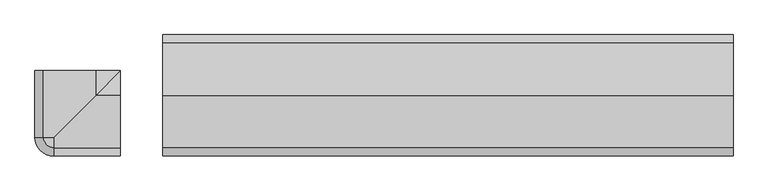
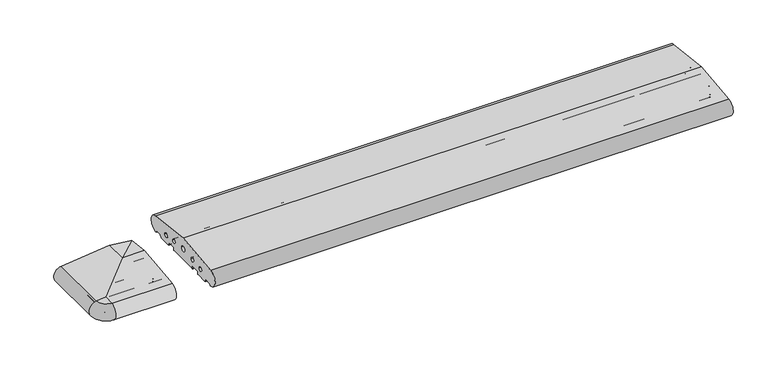
"""IFC4 building model written with IfcOpenShell, lengths in millimetres: proxy geometry."""

from ifc_helpers import new_model, si_unit, point, frame, frame_2d, origin, place, context, project, spatial, polyline, circle_curve, ellipse_curve, trimmed, segment, composite_curve, outline, extrude, source, transform, mapped, element, save
from ifc_brep_helpers import plane_surface, cylinder_surface, revolved_surface, advanced_brep


def generic_models_adb911b1(model_context):
    return source(origin(), model_context, "Body", "SolidModel", [
        advanced_brep(
        [(-112.0, -45.0, 0.0), (-222.5, -45.0, 0.0), (-223.5, -45.0, 1.0), (-223.5, -45.0, 7.0), (-225.5, -45.0, 9.0), (-248.5, -45.0, 9.0), (-250.5, -45.0, 7.0), (-250.5, -45.0, 1.0), (-251.5, -45.0, 0.0), (-287.0, -45.0, 0.0), (-290.7527767, -45.0, 6.5), (-292.4848276, -45.0, 7.5), (-308.9585481, -45.0, 7.5), (-310.6905989, -45.0, 6.5), (-312.7072001, -45.0, 3.0071443), (-313.5981483, -45.0, 2.5074549), (-315.0858073, -45.0, 50.4091909), (-177.0, -45.0, 66.8161089), (-112.0, -45.0, 59.0930149), (-269.220606, -45.0, 23.1932995), (-257.220606, -45.0, 23.1932995), (-229.5, -45.0, 27.912776), (-217.5, -45.0, 27.912776), (-184.9558517, -45.0, 33.3783502), (-169.0441483, -45.0, 33.3783502), (-136.5, -45.0, 27.912776), (-124.5, -45.0, 27.912776), (-112.0, -155.5, 0.0), (-222.5, -155.5, 0.0), (-223.5, -156.5, 1.0), (-223.5, -156.5, 7.0), (-225.5, -158.5, 9.0), (-112.0, -158.5, 9.0), (-112.0, -181.5, 9.0), (-248.5, -181.5, 9.0), (-250.5, -183.5, 7.0), (-250.5, -183.5, 1.0), (-251.5, -184.5, 0.0), (-112.0, -184.5, 0.0), (-112.0, -220.0, 0.0), (-287.0, -220.0, 0.0), (-177.0, -110.0, 66.8161089), (-315.0858073, -220.0, 50.4091909), (-287.0, -220.0, 53.7462575), (-269.220606, -202.220606, 23.1932995), (-263.220606, -196.220606, 17.1932995), (-257.220606, -190.220606, 23.1932995), (-263.220606, -196.220606, 29.1932995), (-229.5, -162.5, 27.912776), (-223.5, -156.5, 21.912776), (-217.5, -150.5, 27.912776), (-223.5, -156.5, 33.912776), (-184.9558517, -117.9558517, 33.3783502), (-177.0, -110.0, 25.4224985), (-169.0441483, -102.0441483, 33.3783502), (-177.0, -110.0, 41.3342019), (-136.5, -69.5, 27.912776), (-130.5, -63.5, 21.912776), (-124.5, -57.5, 27.912776), (-130.5, -63.5, 33.912776), (-112.0, -246.5981483, 2.5074549), (-112.0, -245.7072001, 3.0071443), (-112.0, -243.6905989, 6.5), (-112.0, -241.9585481, 7.5), (-112.0, -225.4848276, 7.5), (-112.0, -223.7527767, 6.5), (-112.0, -183.5, 1.0), (-112.0, -183.5, 7.0), (-112.0, -156.5, 7.0), (-112.0, -156.5, 1.0), (-112.0, -110.0, 66.8161089), (-112.0, -248.0858073, 50.4091909), (-112.0, -202.220606, 23.1932995), (-112.0, -190.220606, 23.1932995), (-112.0, -162.5, 27.912776), (-112.0, -150.5, 27.912776), (-112.0, -117.9558517, 33.3783502), (-112.0, -102.0441483, 33.3783502), (-112.0, -69.5, 27.912776), (-112.0, -57.5, 27.912776), (-312.7072001, -220.0, 3.0071443), (-313.5981483, -220.0, 2.5074549), (-310.6905989, -220.0, 6.5), (-308.9585481, -220.0, 7.5), (-290.7527767, -220.0, 6.5), (-292.4848276, -220.0, 7.5), (-287.0, -223.7527767, 6.5), (-287.0, -225.4848276, 7.5), (-287.0, -241.9585481, 7.5), (-287.0, -243.6905989, 6.5), (-287.0, -245.7072001, 3.0071443), (-287.0, -246.5981483, 2.5074549), (-287.0, -248.0858073, 50.4091909)],
        [
            (0, 1),
            (1, 2, circle_curve(frame((-222.5, -45.0, 1.0), z_axis=(0.0, 1.0, 0.0), x_axis=(-1.0, 0.0, 0.0)), 1.0)),
            (2, 3),
            (3, 4, circle_curve(frame((-225.5, -45.0, 7.0), z_axis=(0.0, -1.0, 0.0), x_axis=(0.0, 0.0, 1.0)), 2.0)),
            (4, 5),
            (5, 6, circle_curve(frame((-248.5, -45.0, 7.0), z_axis=(0.0, -1.0, 0.0), x_axis=(-1.0, 0.0, 0.0)), 2.0)),
            (6, 7),
            (7, 8, circle_curve(frame((-251.5, -45.0, 1.0), z_axis=(0.0, 1.0, 0.0), x_axis=(0.0, 0.0, -1.0)), 1.0)),
            (8, 9),
            (9, 10),
            (10, 11, circle_curve(frame((-292.4848276, -45.0, 5.5), z_axis=(0.0, -1.0, 0.0), x_axis=(0.0, 0.0, 1.0)), 2.0)),
            (11, 12),
            (12, 13, circle_curve(frame((-308.9585481, -45.0, 5.5), z_axis=(0.0, -1.0, 0.0), x_axis=(-0.8660254037844379, 0.0, 0.5000000000000012)), 2.0)),
            (13, 14),
            (14, 15, circle_curve(frame((-313.5732255, -45.0, 3.5071443), z_axis=(0.0, 1.0, 0.0), x_axis=(-0.024922847684081085, 0.0, -0.999689377588517)), 1.0)),
            (15, 16, circle_curve(frame((-313.0, -45.0, 26.5), z_axis=(0.0, 1.0, 0.0), x_axis=(-0.08690863944627836, 0.0, 0.9962162859487877)), 24.0)),
            (16, 17),
            (17, 18),
            (18, 0),
            (19, 20, circle_curve(frame((-263.220606, -45.0, 23.1932995), z_axis=(0.0, -1.0, 0.0), x_axis=(1.0, 0.0, 0.0)), 6.0)),
            (20, 19, circle_curve(frame((-263.220606, -45.0, 23.1932995), z_axis=(0.0, -1.0, 0.0), x_axis=(1.0, 0.0, 0.0)), 6.0)),
            (21, 22, circle_curve(frame((-223.5, -45.0, 27.912776), z_axis=(0.0, -1.0, 0.0), x_axis=(1.0, 0.0, 0.0)), 6.0)),
            (22, 21, circle_curve(frame((-223.5, -45.0, 27.912776), z_axis=(0.0, -1.0, 0.0), x_axis=(1.0, 0.0, 0.0)), 6.0)),
            (23, 24, circle_curve(frame((-177.0, -45.0, 33.3783502), z_axis=(0.0, -1.0, 0.0), x_axis=(1.0, 0.0, 0.0)), 7.9558517)),
            (24, 23, circle_curve(frame((-177.0, -45.0, 33.3783502), z_axis=(0.0, -1.0, 0.0), x_axis=(1.0, 0.0, 0.0)), 7.9558517)),
            (25, 26, circle_curve(frame((-130.5, -45.0, 27.912776), z_axis=(0.0, -1.0, 0.0), x_axis=(1.0, 0.0, 0.0)), 6.0)),
            (26, 25, circle_curve(frame((-130.5, -45.0, 27.912776), z_axis=(0.0, -1.0, 0.0), x_axis=(1.0, 0.0, 0.0)), 6.0)),
            (0, 27),
            (27, 28),
            (28, 1),
            (28, 29, ellipse_curve(frame((-222.5, -155.5, 1.0), z_axis=(-0.7071067811865446, 0.7071067811865505, 0.0), x_axis=(0.7071067811865503, 0.7071067811865446, 0.0)), 1.4142136, 1.0)),
            (29, 2),
            (29, 30),
            (30, 3),
            (30, 31, ellipse_curve(frame((-225.5, -158.5, 7.0), z_axis=(0.7071067811865446, -0.7071067811865505, 0.0), x_axis=(-0.7071067811865503, -0.7071067811865446, 0.0)), 2.8284271, 2.0)),
            (31, 4),
            (31, 32),
            (32, 33),
            (33, 34),
            (34, 5),
            (34, 35, ellipse_curve(frame((-248.5, -181.5, 7.0), z_axis=(0.7071067811865446, -0.7071067811865505, 0.0), x_axis=(-0.7071067811865503, -0.7071067811865446, 0.0)), 2.8284271, 2.0)),
            (35, 6),
            (35, 36),
            (36, 7),
            (36, 37, ellipse_curve(frame((-251.5, -184.5, 1.0), z_axis=(-0.7071067811865446, 0.7071067811865505, 0.0), x_axis=(0.7071067811865503, 0.7071067811865446, 0.0)), 1.4142136, 1.0)),
            (37, 8),
            (37, 38),
            (38, 39),
            (39, 40),
            (40, 9),
            (41, 17),
            (16, 42),
            (42, 43),
            (43, 41),
            (41, 18),
            (19, 44),
            (44, 45, ellipse_curve(frame((-263.220606, -196.220606, 23.1932995), z_axis=(0.7071067811865446, -0.7071067811865505, 0.0), x_axis=(-0.7071067811865503, -0.7071067811865446, 0.0)), 8.4852814, 6.0)),
            (45, 46, ellipse_curve(frame((-263.220606, -196.220606, 23.1932995), z_axis=(0.7071067811865446, -0.7071067811865505, 0.0), x_axis=(-0.7071067811865503, -0.7071067811865446, 0.0)), 8.4852814, 6.0)),
            (46, 20),
            (46, 47, ellipse_curve(frame((-263.220606, -196.220606, 23.1932995), z_axis=(0.7071067811865446, -0.7071067811865505, 0.0), x_axis=(-0.7071067811865503, -0.7071067811865446, 0.0)), 8.4852814, 6.0)),
            (47, 44, ellipse_curve(frame((-263.220606, -196.220606, 23.1932995), z_axis=(0.7071067811865446, -0.7071067811865505, 0.0), x_axis=(-0.7071067811865503, -0.7071067811865446, 0.0)), 8.4852814, 6.0)),
            (21, 48),
            (48, 49, ellipse_curve(frame((-223.5, -156.5, 27.912776), z_axis=(0.7071067811865446, -0.7071067811865505, 0.0), x_axis=(-0.7071067811865503, -0.7071067811865446, 0.0)), 8.4852814, 6.0)),
            (49, 50, ellipse_curve(frame((-223.5, -156.5, 27.912776), z_axis=(0.7071067811865446, -0.7071067811865505, 0.0), x_axis=(-0.7071067811865503, -0.7071067811865446, 0.0)), 8.4852814, 6.0)),
            (50, 22),
            (50, 51, ellipse_curve(frame((-223.5, -156.5, 27.912776), z_axis=(0.7071067811865446, -0.7071067811865505, 0.0), x_axis=(-0.7071067811865503, -0.7071067811865446, 0.0)), 8.4852814, 6.0)),
            (51, 48, ellipse_curve(frame((-223.5, -156.5, 27.912776), z_axis=(0.7071067811865446, -0.7071067811865505, 0.0), x_axis=(-0.7071067811865503, -0.7071067811865446, 0.0)), 8.4852814, 6.0)),
            (23, 52),
            (52, 53, ellipse_curve(frame((-177.0, -110.0, 33.3783502), z_axis=(0.7071067811865446, -0.7071067811865505, 0.0), x_axis=(-0.7071067811865503, -0.7071067811865446, 0.0)), 11.2512734, 7.9558517)),
            (53, 54, ellipse_curve(frame((-177.0, -110.0, 33.3783502), z_axis=(0.7071067811865446, -0.7071067811865505, 0.0), x_axis=(-0.7071067811865503, -0.7071067811865446, 0.0)), 11.2512734, 7.9558517)),
            (54, 24),
            (54, 55, ellipse_curve(frame((-177.0, -110.0, 33.3783502), z_axis=(0.7071067811865446, -0.7071067811865505, 0.0), x_axis=(-0.7071067811865503, -0.7071067811865446, 0.0)), 11.2512734, 7.9558517)),
            (55, 52, ellipse_curve(frame((-177.0, -110.0, 33.3783502), z_axis=(0.7071067811865446, -0.7071067811865505, 0.0), x_axis=(-0.7071067811865503, -0.7071067811865446, 0.0)), 11.2512734, 7.9558517)),
            (25, 56),
            (56, 57, ellipse_curve(frame((-130.5, -63.5, 27.912776), z_axis=(0.7071067811865446, -0.7071067811865505, 0.0), x_axis=(-0.7071067811865503, -0.7071067811865446, 0.0)), 8.4852814, 6.0)),
            (57, 58, ellipse_curve(frame((-130.5, -63.5, 27.912776), z_axis=(0.7071067811865446, -0.7071067811865505, 0.0), x_axis=(-0.7071067811865503, -0.7071067811865446, 0.0)), 8.4852814, 6.0)),
            (58, 26),
            (58, 59, ellipse_curve(frame((-130.5, -63.5, 27.912776), z_axis=(0.7071067811865446, -0.7071067811865505, 0.0), x_axis=(-0.7071067811865503, -0.7071067811865446, 0.0)), 8.4852814, 6.0)),
            (59, 56, ellipse_curve(frame((-130.5, -63.5, 27.912776), z_axis=(0.7071067811865446, -0.7071067811865505, 0.0), x_axis=(-0.7071067811865503, -0.7071067811865446, 0.0)), 8.4852814, 6.0)),
            (60, 61, circle_curve(frame((-112.0, -246.5732255, 3.5071443), z_axis=(1.0, 0.0, 0.0), x_axis=(0.0, -0.024922847684081085, -0.999689377588517)), 1.0)),
            (61, 62),
            (62, 63, circle_curve(frame((-112.0, -241.9585481, 5.5), z_axis=(-1.0, 0.0, 0.0), x_axis=(0.0, -0.8660254037844379, 0.5000000000000012)), 2.0)),
            (63, 64),
            (64, 65, circle_curve(frame((-112.0, -225.4848276, 5.5), z_axis=(-1.0, 0.0, 0.0), x_axis=(0.0, 0.0, 1.0)), 2.0)),
            (65, 39),
            (38, 66, circle_curve(frame((-112.0, -184.5, 1.0), z_axis=(1.0, 0.0, 0.0), x_axis=(0.0, 0.0, -1.0)), 1.0)),
            (66, 67),
            (67, 33, circle_curve(frame((-112.0, -181.5, 7.0), z_axis=(-1.0, 0.0, 0.0), x_axis=(0.0, -1.0, 0.0)), 2.0)),
            (32, 68, circle_curve(frame((-112.0, -158.5, 7.0), z_axis=(-1.0, 0.0, 0.0), x_axis=(0.0, 0.0, 1.0)), 2.0)),
            (68, 69),
            (69, 27, circle_curve(frame((-112.0, -155.5, 1.0), z_axis=(1.0, 0.0, 0.0), x_axis=(0.0, -1.0, 0.0)), 1.0)),
            (18, 70),
            (70, 71),
            (71, 60, circle_curve(frame((-112.0, -246.0, 26.5), z_axis=(1.0, 0.0, 0.0), x_axis=(0.0, -0.08690863944627836, 0.9962162859487877)), 24.0)),
            (72, 73, circle_curve(frame((-112.0, -196.220606, 23.1932995), z_axis=(-1.0, 0.0, 0.0), x_axis=(0.0, 1.0, 0.0)), 6.0)),
            (73, 72, circle_curve(frame((-112.0, -196.220606, 23.1932995), z_axis=(-1.0, 0.0, 0.0), x_axis=(0.0, 1.0, 0.0)), 6.0)),
            (74, 75, circle_curve(frame((-112.0, -156.5, 27.912776), z_axis=(-1.0, 0.0, 0.0), x_axis=(0.0, 1.0, 0.0)), 6.0)),
            (75, 74, circle_curve(frame((-112.0, -156.5, 27.912776), z_axis=(-1.0, 0.0, 0.0), x_axis=(0.0, 1.0, 0.0)), 6.0)),
            (76, 77, circle_curve(frame((-112.0, -110.0, 33.3783502), z_axis=(-1.0, 0.0, 0.0), x_axis=(0.0, 1.0, 0.0)), 7.9558517)),
            (77, 76, circle_curve(frame((-112.0, -110.0, 33.3783502), z_axis=(-1.0, 0.0, 0.0), x_axis=(0.0, 1.0, 0.0)), 7.9558517)),
            (78, 79, circle_curve(frame((-112.0, -63.5, 27.912776), z_axis=(-1.0, 0.0, 0.0), x_axis=(0.0, 1.0, 0.0)), 6.0)),
            (79, 78, circle_curve(frame((-112.0, -63.5, 27.912776), z_axis=(-1.0, 0.0, 0.0), x_axis=(0.0, 1.0, 0.0)), 6.0)),
            (14, 80),
            (80, 81, circle_curve(frame((-313.5732255, -220.0, 3.5071443), z_axis=(0.0, 1.0, 0.0), x_axis=(-0.024922847684081085, 0.0, -0.999689377588517)), 1.0)),
            (81, 15),
            (13, 82),
            (82, 80),
            (12, 83),
            (83, 82, circle_curve(frame((-308.9585481, -220.0, 5.5), z_axis=(0.0, -1.0, 0.0), x_axis=(-0.8660254037844379, 0.0, 0.5000000000000012)), 2.0)),
            (10, 84),
            (84, 85, circle_curve(frame((-292.4848276, -220.0, 5.5), z_axis=(0.0, -1.0, 0.0), x_axis=(0.0, 0.0, 1.0)), 2.0)),
            (85, 11),
            (40, 84),
            (81, 42, circle_curve(frame((-313.0, -220.0, 26.5), z_axis=(0.0, 1.0, 0.0), x_axis=(-0.08690863944627836, 0.0, 0.9962162859487877)), 24.0)),
            (86, 84, circle_curve(frame((-287.0, -220.0, 6.5), z_axis=(0.0, 0.0, -1.0), x_axis=(0.0, -1.0, 0.0)), 3.7527767)),
            (40, 86),
            (86, 87, circle_curve(frame((-287.0, -225.4848276, 5.5), z_axis=(1.0, 0.0, 0.0), x_axis=(0.0, 0.0, 1.0)), 2.0)),
            (87, 85, circle_curve(frame((-287.0, -220.0, 7.5), z_axis=(0.0, 0.0, -1.0), x_axis=(0.0, -1.0, 0.0)), 5.4848276)),
            (83, 88, circle_curve(frame((-287.0, -220.0, 7.5), z_axis=(0.0, 0.0, 1.0), x_axis=(0.0, -1.0, 0.0)), 21.9585481)),
            (88, 89, circle_curve(frame((-287.0, -241.9585481, 5.5), z_axis=(1.0, 0.0, 0.0), x_axis=(0.0, -0.8660254037844379, 0.5000000000000012)), 2.0)),
            (89, 82, circle_curve(frame((-287.0, -220.0, 6.5), z_axis=(0.0, 0.0, -1.0), x_axis=(0.0, -1.0, 0.0)), 23.6905989)),
            (89, 90),
            (90, 80, circle_curve(frame((-287.0, -220.0, 3.0071443), z_axis=(0.0, 0.0, -1.0), x_axis=(0.0, -1.0, 0.0)), 25.7072001)),
            (90, 91, circle_curve(frame((-287.0, -246.5732255, 3.5071443), z_axis=(-1.0000000000000002, 0.0, 0.0), x_axis=(0.0, -0.024922847684081085, -0.999689377588517)), 1.0)),
            (91, 81, circle_curve(frame((-287.0, -220.0, 2.5074549), z_axis=(0.0, 0.0, -1.0), x_axis=(0.0, -1.0, 0.0)), 26.5981483)),
            (91, 92, circle_curve(frame((-287.0, -246.0, 26.5), z_axis=(-1.0, 0.0, 0.0), x_axis=(0.0, -0.08690863944627836, 0.9962162859487877)), 24.0)),
            (92, 42, circle_curve(frame((-287.0, -220.0, 50.4091909), z_axis=(0.0, 0.0, -1.0), x_axis=(0.0, -1.0, 0.0)), 28.0858073)),
            (92, 43),
            (60, 91),
            (90, 61),
            (89, 62),
            (88, 63),
            (87, 64),
            (86, 65),
            (92, 71),
            (70, 41),
            (69, 29),
            (68, 30),
            (67, 35),
            (66, 36),
            (73, 46),
            (44, 72),
            (75, 50),
            (48, 74),
            (77, 54),
            (52, 76),
            (79, 58),
            (56, 78),
        ],
        [
            plane_surface(frame((-67.0, -45.0, 0.0), z_axis=(0.0, 1.0, 0.0), x_axis=(0.0, 0.0, 1.0))),
            plane_surface(frame((-112.0, -45.0, 0.0), z_axis=(0.0, 0.0, -1.0), x_axis=(0.0, -1.0, 0.0))),
            cylinder_surface(frame((-222.5, -45.0, 1.0), z_axis=(0.0, 1.0, 0.0), x_axis=(-1.0, 0.0, 0.0)), 1.0),
            plane_surface(frame((-223.5, -45.0, 1.0), z_axis=(-1.0, 0.0, 0.0), x_axis=(0.0, -1.0, 0.0))),
            revolved_surface(polyline([(-225.5, -160.49999998250178, 9.0), (-225.5, -45.0, 9.0)]), (-225.5, -45.0, 7.0), (0.0, -1.0, 0.0)),
            plane_surface(frame((-225.5, -45.0, 9.0), z_axis=(0.0, 0.0, -1.0), x_axis=(0.0, -1.0, 0.0))),
            revolved_surface(polyline([(-250.5, -183.5, 7.0), (-250.5, -45.0, 7.0)]), (-248.5, -45.0, 7.0), (0.0, -1.0, 0.0)),
            plane_surface(frame((-250.5, -45.0, 7.0), z_axis=(1.0, 0.0, 0.0), x_axis=(0.0, -1.0, 0.0))),
            cylinder_surface(frame((-251.5, -45.0, 1.0), z_axis=(0.0, 1.0, 0.0), x_axis=(0.0, 0.0, -1.0)), 1.0),
            plane_surface(frame((-251.5, -45.0, 0.0), z_axis=(0.0, 0.0, -1.0), x_axis=(0.0, -1.0, 0.0))),
            plane_surface(frame((-287.0, -45.0, 53.7462575), z_axis=(-0.11798691299107526, 0.0, 0.9930151501174777), x_axis=(0.0, -1.0, 0.0))),
            plane_surface(frame((-177.0, -45.0, 66.8161089), z_axis=(0.11798691299107526, 0.0, 0.9930151501174777), x_axis=(0.0, -1.0, 0.0))),
            revolved_surface(polyline([(-257.220606, -202.22060601821607, 23.1932995), (-257.220606, -45.0, 23.1932995)]), (-263.220606, -45.0, 23.1932995), (0.0, -1.0, 0.0)),
            revolved_surface(polyline([(-217.5, -162.50000001821604, 27.912776), (-217.5, -45.0, 27.912776)]), (-223.5, -45.0, 27.912776), (0.0, -1.0, 0.0)),
            revolved_surface(polyline([(-169.0441483, -117.9558517181238, 33.3783502), (-169.0441483, -45.0, 33.3783502)]), (-177.0, -45.0, 33.3783502), (0.0, -1.0, 0.0)),
            revolved_surface(polyline([(-124.5, -69.50000001821606, 27.912776), (-124.5, -45.0, 27.912776)]), (-130.5, -45.0, 27.912776), (0.0, -1.0, 0.0)),
            plane_surface(frame((-112.0, -45.0, 59.0930149), z_axis=(1.0, 0.0, 0.0), x_axis=(0.0, -1.0, 0.0))),
            cylinder_surface(frame((-313.5732255, -45.0, 3.5071443), z_axis=(0.0, 1.0000000000000002, 0.0), x_axis=(-0.024922847684081085, 0.0, -0.999689377588517)), 1.0),
            plane_surface(frame((-310.6905989, -45.0, 6.5), z_axis=(0.8660254037844368, 0.0, -0.5000000000000032), x_axis=(0.0, -1.0, 0.0))),
            revolved_surface(polyline([(-310.69059890756887, -220.0, 6.500000000000003), (-310.69059890756887, -45.0, 6.500000000000003)]), (-308.9585481, -45.0, 5.5), (0.0, -1.0, 0.0)),
            revolved_surface(polyline([(-292.4848276, -220.0, 7.5), (-292.4848276, -45.0, 7.5)]), (-292.4848276, -45.0, 5.5), (0.0, -1.0, 0.0)),
            plane_surface(frame((-287.0, -45.0, 0.0), z_axis=(-0.8660254037844349, 0.0, -0.5000000000000064), x_axis=(0.0, -1.0, 0.0))),
            cylinder_surface(frame((-313.0, -45.0, 26.5), z_axis=(0.0, 1.0, 0.0), x_axis=(-0.08690863944627836, 0.0, 0.9962162859487877)), 24.0),
            revolved_surface(polyline([(-287.0, -220.0, 0.0), (-287.0, -223.7527767, 6.5)]), (-287.0, -220.0, 12.5), (0.0, 0.0, 1.0)),
            revolved_surface(trimmed(ellipse_curve(frame((-287.0, -225.4848276, 5.5), z_axis=(1.0, 0.0, 0.0), x_axis=(0.0, 0.0, 1.0)), 2.0, 2.0), [point((-287.0, -223.7527767, 6.5))], [point((-287.0, -225.4848276, 7.5))], True, "CARTESIAN"), (-287.0, -220.0, 12.5), (0.0, 0.0, 1.0)),
            revolved_surface(trimmed(ellipse_curve(frame((-287.0, -241.9585481, 5.5), z_axis=(1.0, 0.0, 0.0), x_axis=(0.0, -0.8660254037844379, 0.5000000000000012)), 2.0, 2.0), [point((-287.0, -241.9585481, 7.5))], [point((-287.0, -243.6905989, 6.5))], True, "CARTESIAN"), (-287.0, -220.0, 12.5), (0.0, 0.0, 1.0)),
            revolved_surface(polyline([(-287.0, -243.6905989, 6.5), (-287.0, -245.7072001, 3.0071443)]), (-287.0, -220.0, 12.5), (0.0, 0.0, 1.0)),
            revolved_surface(trimmed(ellipse_curve(frame((-287.0, -246.5732255, 3.5071443), z_axis=(-1.0000000000000002, 0.0, 0.0), x_axis=(0.0, -0.024922847684081085, -0.999689377588517)), 1.0, 1.0), [point((-287.0, -245.7072001, 3.0071443))], [point((-287.0, -246.5981483, 2.5074549))], True, "CARTESIAN"), (-287.0, -220.0, 12.5), (0.0, 0.0, 1.0)),
            revolved_surface(trimmed(ellipse_curve(frame((-287.0, -246.0, 26.5), z_axis=(-1.0, 0.0, 0.0), x_axis=(0.0, -0.08690863944627836, 0.9962162859487877)), 24.0, 24.0), [point((-287.0, -246.5981483, 2.5074549))], [point((-287.0, -248.0858073, 50.4091909))], True, "CARTESIAN"), (-287.0, -220.0, 12.5), (0.0, 0.0, 1.0)),
            revolved_surface(polyline([(-287.0, -248.0858073, 50.4091909), (-287.0, -220.0, 53.7462575)]), (-287.0, -220.0, 12.5), (0.0, 0.0, 1.0)),
            cylinder_surface(frame((-112.0, -246.5732255, 3.5071443), z_axis=(1.0000000000000002, 0.0, 0.0), x_axis=(0.0, -0.024922847684081085, -0.999689377588517)), 1.0),
            plane_surface(frame((-112.0, -245.7072001, 3.0071443), z_axis=(0.0, 0.8660254037844368, -0.5000000000000032), x_axis=(-1.0, 0.0, 0.0))),
            revolved_surface(polyline([(-287.0, -243.69059890756887, 6.500000000000003), (-112.0, -243.69059890756887, 6.500000000000003)]), (-112.0, -241.9585481, 5.5), (-1.0, 0.0, 0.0)),
            plane_surface(frame((-112.0, -241.9585481, 7.5), z_axis=(0.0, 0.0, -1.0), x_axis=(-1.0, 0.0, 0.0))),
            revolved_surface(polyline([(-287.0, -225.4848276, 7.5), (-112.0, -225.4848276, 7.5)]), (-112.0, -225.4848276, 5.5), (-1.0, 0.0, 0.0)),
            plane_surface(frame((-112.0, -223.7527767, 6.5), z_axis=(0.0, -0.8660254037844349, -0.5000000000000064), x_axis=(-1.0, 0.0, 0.0))),
            plane_surface(frame((-112.0, -220.0, 53.7462575), z_axis=(0.0, -0.11798691299107526, 0.9930151501174777), x_axis=(-1.0, 0.0, 0.0))),
            cylinder_surface(frame((-112.0, -246.0, 26.5), z_axis=(1.0, 0.0, 0.0), x_axis=(0.0, -0.08690863944627836, 0.9962162859487877)), 24.0),
            cylinder_surface(frame((-287.0, -155.5, 1.0), z_axis=(-1.0, 0.0, 0.0), x_axis=(0.0, -1.0, 0.0)), 1.0),
            plane_surface(frame((-287.0, -156.5, 1.0), z_axis=(0.0, -1.0, 0.0), x_axis=(1.0, 0.0, 0.0))),
            revolved_surface(polyline([(-112.0, -158.5, 9.0), (-227.4999999825018, -158.5, 9.0)]), (-287.0, -158.5, 7.0), (1.0, 0.0, 0.0)),
            revolved_surface(polyline([(-112.0, -183.5, 7.0), (-250.5, -183.5, 7.0)]), (-287.0, -181.5, 7.0), (1.0, 0.0, 0.0)),
            plane_surface(frame((-287.0, -183.5, 7.0), z_axis=(0.0, 1.0, 0.0), x_axis=(1.0, 0.0, 0.0))),
            cylinder_surface(frame((-287.0, -184.5, 1.0), z_axis=(-1.0, 0.0, 0.0), x_axis=(0.0, 0.0, -1.0)), 1.0),
            plane_surface(frame((-287.0, -110.0, 66.8161089), z_axis=(0.0, 0.11798691299107526, 0.9930151501174777), x_axis=(1.0, 0.0, 0.0))),
            revolved_surface(polyline([(-112.0, -190.220606, 23.1932995), (-269.2206060182161, -190.220606, 23.1932995)]), (-287.0, -196.220606, 23.1932995), (1.0, 0.0, 0.0)),
            revolved_surface(polyline([(-112.0, -150.5, 27.912776), (-229.5000000182161, -150.5, 27.912776)]), (-287.0, -156.5, 27.912776), (1.0, 0.0, 0.0)),
            revolved_surface(polyline([(-112.0, -102.0441483, 33.3783502), (-184.95585171812385, -102.0441483, 33.3783502)]), (-287.0, -110.0, 33.3783502), (1.0, 0.0, 0.0)),
            revolved_surface(polyline([(-112.0, -57.5, 27.912776), (-136.5000000182161, -57.5, 27.912776)]), (-287.0, -63.5, 27.912776), (1.0, 0.0, 0.0)),
        ],
        [
            (0, [[1, 2, 3, 4, 5, 6, 7, 8, 9, 10, 11, 12, 13, 14, 15, 16, 17, 18, 19], [20, 21], [22, 23], [24, 25], [26, 27]]),
            (1, [[-1, 28, 29, 30]]),
            (2, [[-2, -30, 31, 32]]),
            (3, [[-3, -32, 33, 34]]),
            (4, [[-4, -34, 35, 36]]),
            (5, [[-5, -36, 37, 38, 39, 40]]),
            (6, [[-6, -40, 41, 42]]),
            (7, [[-7, -42, 43, 44]]),
            (8, [[-8, -44, 45, 46]]),
            (9, [[-9, -46, 47, 48, 49, 50]]),
            (10, [[51, -17, 52, 53, 54]]),
            (11, [[-18, -51, 55]]),
            (12, [[-20, 56, 57, 58, 59]]),
            (12, [[-21, -59, 60, 61, -56]]),
            (13, [[-22, 62, 63, 64, 65]]),
            (13, [[-23, -65, 66, 67, -62]]),
            (14, [[-24, 68, 69, 70, 71]]),
            (14, [[-25, -71, 72, 73, -68]]),
            (15, [[-26, 74, 75, 76, 77]]),
            (15, [[-27, -77, 78, 79, -74]]),
            (16, [[80, 81, 82, 83, 84, 85, -48, 86, 87, 88, -38, 89, 90, 91, -28, -19, 92, 93, 94], [95, 96], [97, 98], [99, 100], [101, 102]]),
            (17, [[-15, 103, 104, 105]]),
            (18, [[-14, 106, 107, -103]]),
            (19, [[-13, 108, 109, -106]]),
            (20, [[-11, 110, 111, 112]]),
            (21, [[-10, -50, 113, -110]]),
            (22, [[-16, -105, 114, -52]]),
            (23, [[115, -113, 116]]),
            (24, [[-115, 117, 118, -111]]),
            (25, [[119, 120, 121, -109]]),
            (26, [[-121, 122, 123, -107]]),
            (27, [[-123, 124, 125, -104]]),
            (28, [[-125, 126, 127, -114]]),
            (29, [[-127, 128, -53]]),
            (30, [[-80, 129, -124, 130]]),
            (31, [[-81, -130, -122, 131]]),
            (32, [[-82, -131, -120, 132]]),
            (33, [[-83, -132, -119, -108, -12, -112, -118, 133]]),
            (34, [[-84, -133, -117, 134]]),
            (35, [[-85, -134, -116, -49]]),
            (36, [[135, -93, 136, -54, -128]]),
            (37, [[-94, -135, -126, -129]]),
            (38, [[-91, 137, -31, -29]]),
            (39, [[-90, 138, -33, -137]]),
            (40, [[-89, -37, -35, -138]]),
            (41, [[-88, 139, -41, -39]]),
            (42, [[-87, 140, -43, -139]]),
            (43, [[-86, -47, -45, -140]]),
            (44, [[-92, -55, -136]]),
            (45, [[-96, 141, -58, -57, 142]]),
            (45, [[-95, -142, -61, -60, -141]]),
            (46, [[-98, 143, -64, -63, 144]]),
            (46, [[-97, -144, -67, -66, -143]]),
            (47, [[-100, 145, -70, -69, 146]]),
            (47, [[-99, -146, -73, -72, -145]]),
            (48, [[-102, 147, -76, -75, 148]]),
            (48, [[-101, -148, -79, -78, -147]]),
        ],
    ),
        extrude(outline(composite_curve([segment(trimmed(circle_curve(frame_2d((26.5732255, 3.5071443)), 1.0), [point((26.5981483, 2.5074549))], [point((25.7072001, 3.0071443))], False, "CARTESIAN"), True, "CONTINUOUS"), segment(polyline([(25.7072001, 3.0071443), (23.6905989, 6.5)]), True, "CONTINUOUS"), segment(trimmed(circle_curve(frame_2d((21.9585481, 5.5)), 2.0), [point((23.6905989, 6.5))], [point((21.9585481, 7.5))], True, "CARTESIAN"), True, "CONTINUOUS"), segment(polyline([(21.9585481, 7.5), (5.4848276, 7.5)]), True, "CONTINUOUS"), segment(trimmed(circle_curve(frame_2d((5.4848276, 5.5)), 2.0), [point((5.4848276, 7.5))], [point((3.7527767, 6.5))], True, "CARTESIAN"), True, "CONTINUOUS"), segment(polyline([(3.7527767, 6.5), (0.2886751, 0.5)]), True, "CONTINUOUS"), segment(trimmed(circle_curve(frame_2d((-0.5773503, 1.0)), 1.0), [point((0.2886751, 0.5))], [point((-0.5773503, 0.0))], False, "CARTESIAN"), True, "CONTINUOUS"), segment(polyline([(-0.5773503, 0.0), (-35.5, 0.0)]), True, "CONTINUOUS"), segment(trimmed(circle_curve(frame_2d((-35.5, 1.0)), 1.0), [point((-35.5, 0.0))], [point((-36.5, 1.0))], False, "CARTESIAN"), True, "CONTINUOUS"), segment(polyline([(-36.5, 1.0), (-36.5, 7.0)]), True, "CONTINUOUS"), segment(trimmed(circle_curve(frame_2d((-38.5, 7.0)), 2.0), [point((-36.5, 7.0))], [point((-38.5, 9.0))], True, "CARTESIAN"), True, "CONTINUOUS"), segment(polyline([(-38.5, 9.0), (-61.5, 9.0)]), True, "CONTINUOUS"), segment(trimmed(circle_curve(frame_2d((-61.5, 7.0)), 2.0), [point((-61.5, 9.0))], [point((-63.5, 7.0))], True, "CARTESIAN"), True, "CONTINUOUS"), segment(polyline([(-63.5, 7.0), (-63.5, 1.0)]), True, "CONTINUOUS"), segment(trimmed(circle_curve(frame_2d((-64.5, 1.0)), 1.0), [point((-63.5, 1.0))], [point((-64.5, 0.0))], False, "CARTESIAN"), True, "CONTINUOUS"), segment(polyline([(-64.5, 0.0), (-155.5, 0.0)]), True, "CONTINUOUS"), segment(trimmed(circle_curve(frame_2d((-155.5, 1.0)), 1.0), [point((-155.5, 0.0))], [point((-156.5, 1.0))], False, "CARTESIAN"), True, "CONTINUOUS"), segment(polyline([(-156.5, 1.0), (-156.5, 7.0)]), True, "CONTINUOUS"), segment(trimmed(circle_curve(frame_2d((-158.5, 7.0)), 2.0), [point((-156.5, 7.0))], [point((-158.5, 9.0))], True, "CARTESIAN"), True, "CONTINUOUS"), segment(polyline([(-158.5, 9.0), (-181.5, 9.0)]), True, "CONTINUOUS"), segment(trimmed(circle_curve(frame_2d((-181.5, 7.0)), 2.0), [point((-181.5, 9.0))], [point((-183.5, 7.0))], True, "CARTESIAN"), True, "CONTINUOUS"), segment(polyline([(-183.5, 7.0), (-183.5, 1.0)]), True, "CONTINUOUS"), segment(trimmed(circle_curve(frame_2d((-184.5, 1.0)), 1.0), [point((-183.5, 1.0))], [point((-184.5, 0.0))], False, "CARTESIAN"), True, "CONTINUOUS"), segment(polyline([(-184.5, 0.0), (-219.4226497, 0.0)]), True, "CONTINUOUS"), segment(trimmed(circle_curve(frame_2d((-219.4226497, 1.0)), 1.0), [point((-219.4226497, 0.0))], [point((-220.2886751, 0.5))], False, "CARTESIAN"), True, "CONTINUOUS"), segment(polyline([(-220.2886751, 0.5), (-223.7527767, 6.5)]), True, "CONTINUOUS"), segment(trimmed(circle_curve(frame_2d((-225.4848276, 5.5)), 2.0), [point((-223.7527767, 6.5))], [point((-225.4848276, 7.5))], True, "CARTESIAN"), True, "CONTINUOUS"), segment(polyline([(-225.4848276, 7.5), (-241.9585481, 7.5)]), True, "CONTINUOUS"), segment(trimmed(circle_curve(frame_2d((-241.9585481, 5.5)), 2.0), [point((-241.9585481, 7.5))], [point((-243.6905989, 6.5))], True, "CARTESIAN"), True, "CONTINUOUS"), segment(polyline([(-243.6905989, 6.5), (-245.7072001, 3.0071443)]), True, "CONTINUOUS"), segment(trimmed(circle_curve(frame_2d((-246.5732255, 3.5071443)), 1.0), [point((-245.7072001, 3.0071443))], [point((-246.5981483, 2.5074549))], False, "CARTESIAN"), True, "CONTINUOUS"), segment(trimmed(circle_curve(frame_2d((-246.0, 26.5)), 24.0), [point((-246.5981483, 2.5074549))], [point((-248.0858073, 50.4091909))], False, "CARTESIAN"), True, "CONTINUOUS"), segment(polyline([(-248.0858073, 50.4091909), (-110.0, 66.8161089), (28.0858073, 50.4091909)]), True, "CONTINUOUS"), segment(trimmed(circle_curve(frame_2d((26.0, 26.5)), 24.0), [point((28.0858073, 50.4091909))], [point((26.5981483, 2.5074549))], False, "CARTESIAN"), True, "CONTINUOUS")], self_intersect=False), holes=[composite_curve([segment(trimmed(circle_curve(frame_2d((-196.220606, 23.1932995)), 6.0), [point((-202.220606, 23.1932995))], [point((-190.220606, 23.1932995))], True, "CARTESIAN"), True, "CONTINUOUS"), segment(trimmed(circle_curve(frame_2d((-196.220606, 23.1932995)), 6.0), [point((-190.220606, 23.1932995))], [point((-202.220606, 23.1932995))], True, "CARTESIAN"), True, "CONTINUOUS")], self_intersect=False), composite_curve([segment(trimmed(circle_curve(frame_2d((-110.0, 33.3783502)), 7.9558517), [point((-117.9558517, 33.3783502))], [point((-102.0441483, 33.3783502))], True, "CARTESIAN"), True, "CONTINUOUS"), segment(trimmed(circle_curve(frame_2d((-110.0, 33.3783502)), 7.9558517), [point((-102.0441483, 33.3783502))], [point((-117.9558517, 33.3783502))], True, "CARTESIAN"), True, "CONTINUOUS")], self_intersect=False), composite_curve([segment(trimmed(circle_curve(frame_2d((-63.5, 27.912776)), 6.0), [point((-69.5, 27.912776))], [point((-57.5, 27.912776))], True, "CARTESIAN"), True, "CONTINUOUS"), segment(trimmed(circle_curve(frame_2d((-63.5, 27.912776)), 6.0), [point((-57.5, 27.912776))], [point((-69.5, 27.912776))], True, "CARTESIAN"), True, "CONTINUOUS")], self_intersect=False), composite_curve([segment(trimmed(circle_curve(frame_2d((-23.779394, 23.1932995)), 6.0), [point((-29.779394, 23.1932995))], [point((-17.779394, 23.1932995))], True, "CARTESIAN"), True, "CONTINUOUS"), segment(trimmed(circle_curve(frame_2d((-23.779394, 23.1932995)), 6.0), [point((-17.779394, 23.1932995))], [point((-29.779394, 23.1932995))], True, "CARTESIAN"), True, "CONTINUOUS")], self_intersect=False), composite_curve([segment(trimmed(circle_curve(frame_2d((-156.5, 27.912776)), 6.0), [point((-162.5, 27.912776))], [point((-150.5, 27.912776))], True, "CARTESIAN"), True, "CONTINUOUS"), segment(trimmed(circle_curve(frame_2d((-156.5, 27.912776)), 6.0), [point((-150.5, 27.912776))], [point((-162.5, 27.912776))], True, "CARTESIAN"), True, "CONTINUOUS")], self_intersect=False)]), frame((0.0, 0.0, 0.0), z_axis=(1.0, 0.0, 0.0), x_axis=(0.0, 1.0, 0.0)), (0.0, 0.0, 1.0), 1500.0),
    ])


if __name__ == "__main__":
    model = new_model("IFC4")
    model_context = context("Model", 3, world=origin())
    ifc_project = project(units=[si_unit("LENGTHUNIT", "METRE", prefix="MILLI")], contexts=[model_context])
    site = spatial("IfcSite", under=ifc_project)
    building = spatial("IfcBuilding", under=site)
    placement = place(None, origin())
    generic_models_shape = generic_models_adb911b1(model_context)
    element("IfcBuildingElementProxy", 1, Name="Generic Models", at=placement, inside=building, context=model_context, shape_type="MappedRepresentation", body=[
        mapped(generic_models_shape, transform((0.0, 0.0, 0.0), x_axis=(1.0, 0.0, 0.0), y_axis=(0.0, 1.0, 0.0), z_axis=(0.0, 0.0, 1.0))),
    ])
    save(model, "model.ifc")
